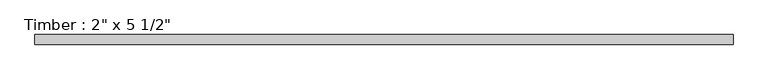
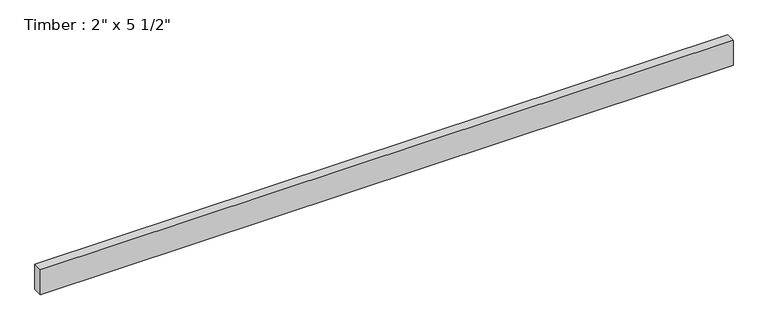
"""IFC4 building model written with IfcOpenShell, lengths in millimetres: beam geometry."""

from ifc_helpers import new_model, si_unit, frame, origin, place, context, project, spatial, polyline, outline, extrude, source, transform, mapped, element, save


def beam_5183b1bd(model_context):
    return source(origin(), model_context, "Body", "SweptSolid", [
        extrude(outline(polyline([(1836.5724826, 25.4), (1836.5724826, -25.4), (-1836.5724826, -25.4), (-1836.5724826, 25.4), (1836.5724826, 25.4)])), frame((0.0, 0.0, -69.85), z_axis=(0.0, 0.0, 1.0), x_axis=(1.0, 0.0, 0.0)), (0.0, 0.0, 1.0), 139.7),
    ])


if __name__ == "__main__":
    model = new_model("IFC4")
    model_context = context("Model", 3, world=origin())
    ifc_project = project(units=[si_unit("LENGTHUNIT", "METRE", prefix="MILLI")], contexts=[model_context])
    site = spatial("IfcSite", under=ifc_project)
    building = spatial("IfcBuilding", under=site)
    placement = place(None, origin())
    beam_shape = beam_5183b1bd(model_context)
    element("IfcBeam", 1, ObjectType="Timber : 2\" x 5 1/2\"", at=placement, inside=building, context=model_context, shape_type="MappedRepresentation", body=[
        mapped(beam_shape, transform((0.0, 0.0, 0.0), x_axis=(1.0, 0.0, 0.0), y_axis=(0.0, 1.0, 0.0), z_axis=(0.0, 0.0, 1.0))),
    ])
    save(model, "model.ifc")
